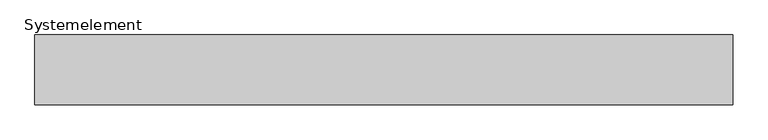
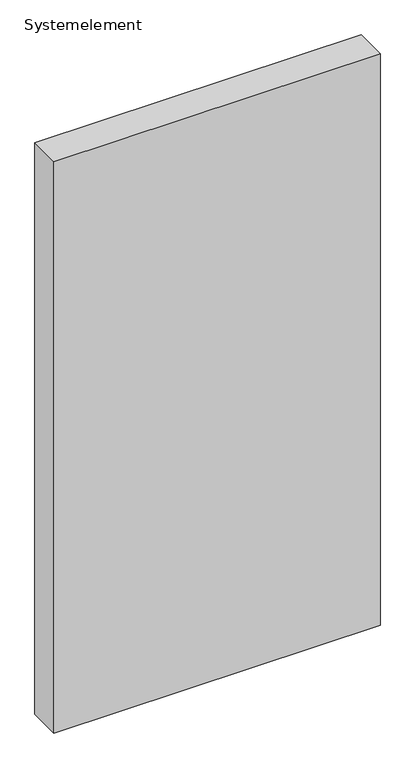
"""IFC4 building model written with IfcOpenShell, lengths in millimetres: plate geometry, Systemelement."""

import ifcopenshell
import ifcopenshell.guid

model = None  # the IFC model being written
_history = None  # IfcOwnerHistory: only IFC2X3 demands one
_inside = {}  # id of a spatial element -> (the spatial element, [elements in it])
_under = {}  # id of a project, library or spatial element -> (it, [spatial elements below it])
_declared = {}  # id of a project -> (the project, [libraries it declares])
_typed = {}  # id of a type object -> (the type object, [elements of that type])
_made_of = {}  # id of a material, layer set ... -> (it, [elements and type objects made of it])


def new_model(schema):
    """Start an empty IFC model of exactly this schema.

    Asked for "IFC4X3", IfcOpenShell would pick the latest addendum, in which some entities
    have other attributes; the version numbers below select the first issue.
    IFC2X3 requires an IfcOwnerHistory on every rooted entity: one is made here for all.
    """
    global model, _history
    if schema == "IFC4X3":
        model = ifcopenshell.file(schema_version=(4, 3, 0, 0))
    else:
        model = ifcopenshell.file(schema=schema)
    _inside.clear()
    _under.clear()
    _declared.clear()
    _typed.clear()
    _made_of.clear()
    _history = None
    if model.schema == "IFC2X3":
        org = make("IfcOrganization", Name="unknown")
        user = make(
            "IfcPersonAndOrganization",
            ThePerson=make("IfcPerson", FamilyName="unknown"),
            TheOrganization=org,
        )
        app = make(
            "IfcApplication",
            ApplicationDeveloper=org,
            Version="unknown",
            ApplicationFullName="unknown",
            ApplicationIdentifier="unknown",
        )
        _history = make(
            "IfcOwnerHistory",
            OwningUser=user,
            OwningApplication=app,
            ChangeAction="ADDED",
            CreationDate=0,
        )
    return model


def make(cls, **values):
    """One entity of the class cls with the attributes given. An attribute that is None is left unset."""
    return model.create_entity(
        cls, **{name: value for name, value in values.items() if value is not None}
    )


def rooted(cls, **values):
    """An entity with a GlobalId (a new one), such as an element, a storey or a relation."""
    return make(cls, GlobalId=ifcopenshell.guid.new(), OwnerHistory=_history, **values)


def si_unit(unit_type, name, prefix=None):
    """IfcSIUnit, for example si_unit("LENGTHUNIT", "METRE", prefix="MILLI")."""
    return make("IfcSIUnit", UnitType=unit_type, Prefix=prefix, Name=name)


def assignment(units):
    """IfcUnitAssignment: the units of a project."""
    return None if units is None else make("IfcUnitAssignment", Units=units)


def point(xyz):
    """IfcCartesianPoint."""
    return None if xyz is None else make("IfcCartesianPoint", Coordinates=xyz)


def direction(xyz):
    """IfcDirection."""
    return None if xyz is None else make("IfcDirection", DirectionRatios=xyz)


def frame(location, z_axis=None, x_axis=None):
    """IfcAxis2Placement3D, a coordinate frame: its origin and axes. An axis left out is left unset."""
    return make(
        "IfcAxis2Placement3D",
        Location=point(location),
        Axis=direction(z_axis),
        RefDirection=direction(x_axis),
    )


def origin():
    """The frame at (0, 0, 0) with its axes left unset."""
    return frame((0.0, 0.0, 0.0))


def origin_with_axes():
    """The frame at (0, 0, 0) with the z axis (0, 0, 1) and the x axis (1, 0, 0) written out."""
    return frame((0.0, 0.0, 0.0), z_axis=(0.0, 0.0, 1.0), x_axis=(1.0, 0.0, 0.0))


def place(relative_to, where):
    """IfcLocalPlacement: puts the frame where relative to a parent placement (None: the world)."""
    return make(
        "IfcLocalPlacement", PlacementRelTo=relative_to, RelativePlacement=where
    )


def context(
    kind, dimensions, precision=None, world=None, true_north=None, identifier=None
):
    """IfcGeometricRepresentationContext, for example the 3D "Model" context."""
    return make(
        "IfcGeometricRepresentationContext",
        ContextIdentifier=identifier,
        ContextType=kind,
        CoordinateSpaceDimension=dimensions,
        Precision=precision,
        WorldCoordinateSystem=world,
        TrueNorth=true_north,
    )


def project(units=None, contexts=None):
    """IfcProject with its units and contexts."""
    return rooted(
        "IfcProject",
        Name="project",
        RepresentationContexts=contexts,
        UnitsInContext=assignment(units),
    )


def spatial(cls, under=None, at=None, **own):
    """A site, building, storey or space (cls), placed at a placement, below another one or the project."""
    s = rooted(cls, ObjectPlacement=at, **own)
    if under is not None:
        _under.setdefault(under.id(), (under, []))[1].append(s)
    return s


def polyline(points):
    """IfcPolyline through the points."""
    return make("IfcPolyline", Points=[point(p) for p in points])


def outline(outer, holes=None, kind="AREA"):
    """IfcArbitraryClosedProfileDef: a profile drawn as a closed curve; with holes, ...WithVoids."""
    if holes is None:
        return make("IfcArbitraryClosedProfileDef", ProfileType=kind, OuterCurve=outer)
    return make(
        "IfcArbitraryProfileDefWithVoids",
        ProfileType=kind,
        OuterCurve=outer,
        InnerCurves=holes,
    )


def extrude(swept, where, along, depth):
    """IfcExtrudedAreaSolid: the profile swept, set in the frame where, extruded along a direction by depth."""
    return make(
        "IfcExtrudedAreaSolid",
        SweptArea=swept,
        Position=where,
        ExtrudedDirection=direction(along),
        Depth=depth,
    )


def shape(context_of_items, identifier, shape_type, items):
    """IfcShapeRepresentation: the items that make up one representation, for example the "Body"."""
    return make(
        "IfcShapeRepresentation",
        ContextOfItems=context_of_items,
        RepresentationIdentifier=identifier,
        RepresentationType=shape_type,
        Items=items,
    )


def source(mapping_origin, context_of_items, identifier, shape_type, items):
    """IfcRepresentationMap: a shape defined once, which mapped items show again and again."""
    return make(
        "IfcRepresentationMap",
        MappingOrigin=mapping_origin,
        MappedRepresentation=shape(context_of_items, identifier, shape_type, items),
    )


def transform(
    local_origin,
    x_axis=None,
    y_axis=None,
    z_axis=None,
    scale=None,
    scale2=None,
    scale3=None,
    uniform=True,
):
    """IfcCartesianTransformationOperator3D, or its non-uniform kind. x_axis, y_axis, z_axis: its Axis1, 2, 3."""
    if uniform:
        return make(
            "IfcCartesianTransformationOperator3D",
            Axis1=direction(x_axis),
            Axis2=direction(y_axis),
            LocalOrigin=point(local_origin),
            Scale=scale,
            Axis3=direction(z_axis),
        )
    return make(
        "IfcCartesianTransformationOperator3DnonUniform",
        Axis1=direction(x_axis),
        Axis2=direction(y_axis),
        LocalOrigin=point(local_origin),
        Scale=scale,
        Axis3=direction(z_axis),
        Scale2=scale2,
        Scale3=scale3,
    )


def mapped(mapping_source, mapping_target):
    """IfcMappedItem: shows the shape of a source again, moved by a transform."""
    return make(
        "IfcMappedItem", MappingSource=mapping_source, MappingTarget=mapping_target
    )


def made_of(thing, what):
    """Note that an element or type object is made of a material, layer set ...; save() writes the relation."""
    if what is not None:
        _made_of.setdefault(what.id(), (what, []))[1].append(thing)
    return thing


def element(
    cls,
    number,
    at=None,
    inside=None,
    cuts=None,
    type_object=None,
    material=None,
    context=None,
    identifier="Body",
    shape_type=None,
    held_by="IfcProductDefinitionShape",
    body=None,
    shapes=None,
    **own,
):
    """One element of the class cls, such as IfcWall. Its Tag is "e" and its number.

    at: its placement. inside: the storey or other place that contains it. cuts: it is an
    opening in that element (IfcRelVoidsElement). A single representation is given by context,
    identifier, shape_type and body (its items); several are given by shapes. held_by: the class
    of the entity that holds the representations. save() writes the other relations.
    """
    e = rooted(cls, Tag="e%d" % number, ObjectPlacement=at, **own)
    if body is not None:
        shapes = [shape(context, identifier, shape_type, body)]
    if shapes is not None:
        e.Representation = make(held_by, Representations=shapes)
    if inside is not None:
        _inside.setdefault(inside.id(), (inside, []))[1].append(e)
    if cuts is not None:
        rooted(
            "IfcRelVoidsElement", RelatingBuildingElement=cuts, RelatedOpeningElement=e
        )
    if type_object is not None:
        _typed.setdefault(type_object.id(), (type_object, []))[1].append(e)
    return made_of(e, material)


def aggregate(whole, parts):
    """IfcRelAggregates: a whole, such as a stair, and the parts it consists of."""
    return rooted("IfcRelAggregates", RelatingObject=whole, RelatedObjects=parts)


def save(model, path):
    """Write the relations noted so far, then the file.

    IfcRelAggregates (storeys below a building ...), IfcRelContainedInSpatialStructure (elements
    in a storey), IfcRelDefinesByType, IfcRelAssociatesMaterial and IfcRelDeclares: one each for
    every whole, place, type object, material and project.
    """
    for whole, parts in _under.values():
        aggregate(whole, parts)
    for where, things in _inside.values():
        rooted(
            "IfcRelContainedInSpatialStructure",
            RelatedElements=things,
            RelatingStructure=where,
        )
    for kind, things in _typed.values():
        rooted("IfcRelDefinesByType", RelatedObjects=things, RelatingType=kind)
    for what, things in _made_of.values():
        rooted("IfcRelAssociatesMaterial", RelatedObjects=things, RelatingMaterial=what)
    for by, libraries in _declared.values():
        rooted("IfcRelDeclares", RelatingContext=by, RelatedDefinitions=libraries)
    model.write(path)


def systemelement_790f7e9f(model_context):
    return source(origin(), model_context, "Body", "SweptSolid", [
        extrude(outline(polyline([(500.0, -100.0), (-500.0, -100.0), (-500.0, 0.0), (500.0, 0.0), (500.0, -100.0)])), origin_with_axes(), (0.0, 0.0, 1.0), 1851.6147161),
    ])


if __name__ == "__main__":
    model = new_model("IFC4")
    model_context = context("Model", 3, world=origin())
    ifc_project = project(units=[si_unit("LENGTHUNIT", "METRE", prefix="MILLI")], contexts=[model_context])
    site = spatial("IfcSite", under=ifc_project)
    building = spatial("IfcBuilding", under=site)
    placement = place(None, origin())
    systemelement_shape = systemelement_790f7e9f(model_context)
    element("IfcPlate", 1, ObjectType="Systemelement", at=placement, inside=building, context=model_context, shape_type="MappedRepresentation", body=[
        mapped(systemelement_shape, transform((0.0, 0.0, 0.0), x_axis=(1.0, 0.0, 0.0), y_axis=(0.0, 1.0, 0.0), z_axis=(0.0, 0.0, 1.0))),
    ])
    save(model, "model.ifc")
